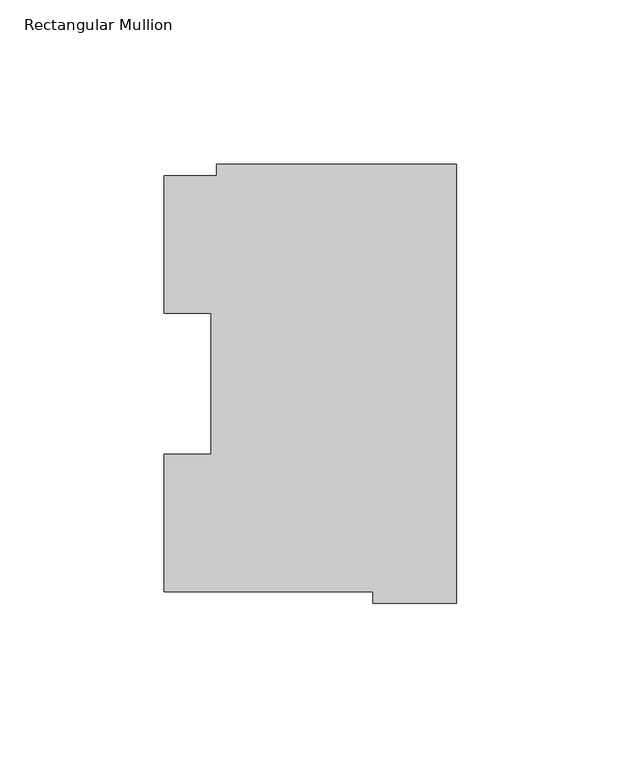
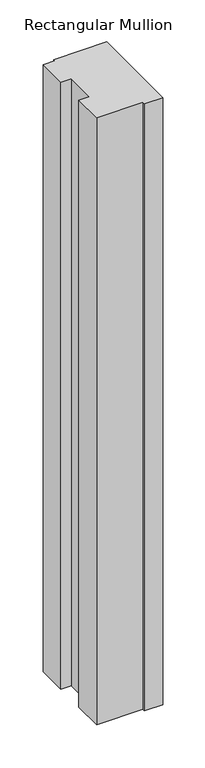
"""IFC4 building model written with IfcOpenShell, lengths in millimetres: member geometry, Rectangular Mullion."""

from ifc_helpers import new_model, si_unit, frame, origin, place, context, project, spatial, polyline, outline, extrude, source, transform, mapped, element, save


def rectangular_mullion_90b3008f(model_context):
    return source(origin(), model_context, "Body", "SweptSolid", [
        extrude(outline(polyline([(-88.8772701, 126.75235), (-73.025, 126.75235), (-73.025, 130.1706837), (0.0, 130.1706837), (0.0, -3.193538), (-25.3772701, -3.193538), (-25.3772701, 0.26035), (-88.8772701, 0.26035), (-88.8772701, 42.0334858), (-74.5947228, 42.0334858), (-74.5947228, 84.93125), (-88.8772701, 84.93125), (-88.8772701, 126.75235)])), frame((0.0, 0.0, -882.6497287), z_axis=(0.0, 0.0, 1.0), x_axis=(1.0, 0.0, 0.0)), (0.0, 0.0, 1.0), 882.6497287),
    ])


if __name__ == "__main__":
    model = new_model("IFC4")
    model_context = context("Model", 3, world=origin())
    ifc_project = project(units=[si_unit("LENGTHUNIT", "METRE", prefix="MILLI")], contexts=[model_context])
    site = spatial("IfcSite", under=ifc_project)
    building = spatial("IfcBuilding", under=site)
    placement = place(None, origin())
    rectangular_mullion_shape = rectangular_mullion_90b3008f(model_context)
    element("IfcMember", 1, ObjectType="Rectangular Mullion", at=placement, inside=building, context=model_context, shape_type="MappedRepresentation", body=[
        mapped(rectangular_mullion_shape, transform((0.0, 0.0, 0.0), x_axis=(1.0, 0.0, 0.0), y_axis=(0.0, 1.0, 0.0), z_axis=(0.0, 0.0, 1.0))),
    ])
    save(model, "model.ifc")
